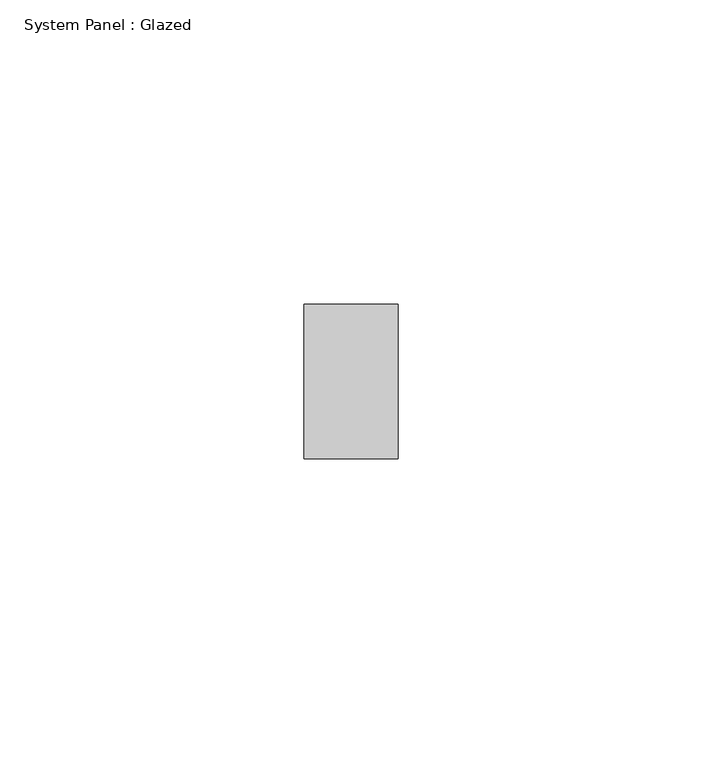
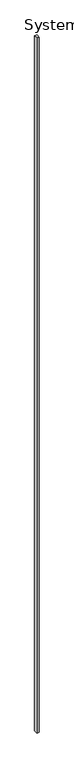
"""IFC4 building model written with IfcOpenShell, lengths in millimetres: plate geometry, System Panel : Glazed."""

from ifc_helpers import new_model, si_unit, origin, origin_with_axes, place, context, project, spatial, polyline, outline, extrude, source, transform, mapped, element, save


def system_panel_glazed_048c3940(model_context):
    return source(origin(), model_context, "Body", "SweptSolid", [
        extrude(outline(polyline([(7.7167784, 19.05), (-7.7167784, 19.05), (-7.7167784, 44.45), (7.7167784, 44.45), (7.7167784, 19.05)])), origin_with_axes(), (0.0, 0.0, 1.0), 4876.8),
    ])


if __name__ == "__main__":
    model = new_model("IFC4")
    model_context = context("Model", 3, world=origin())
    ifc_project = project(units=[si_unit("LENGTHUNIT", "METRE", prefix="MILLI")], contexts=[model_context])
    site = spatial("IfcSite", under=ifc_project)
    building = spatial("IfcBuilding", under=site)
    placement = place(None, origin())
    system_panel_glazed_shape = system_panel_glazed_048c3940(model_context)
    element("IfcPlate", 1, ObjectType="System Panel : Glazed", at=placement, inside=building, context=model_context, shape_type="MappedRepresentation", body=[
        mapped(system_panel_glazed_shape, transform((0.0, 0.0, 0.0), x_axis=(1.0, 0.0, 0.0), y_axis=(0.0, 1.0, 0.0), z_axis=(0.0, 0.0, 1.0))),
    ])
    save(model, "model.ifc")
